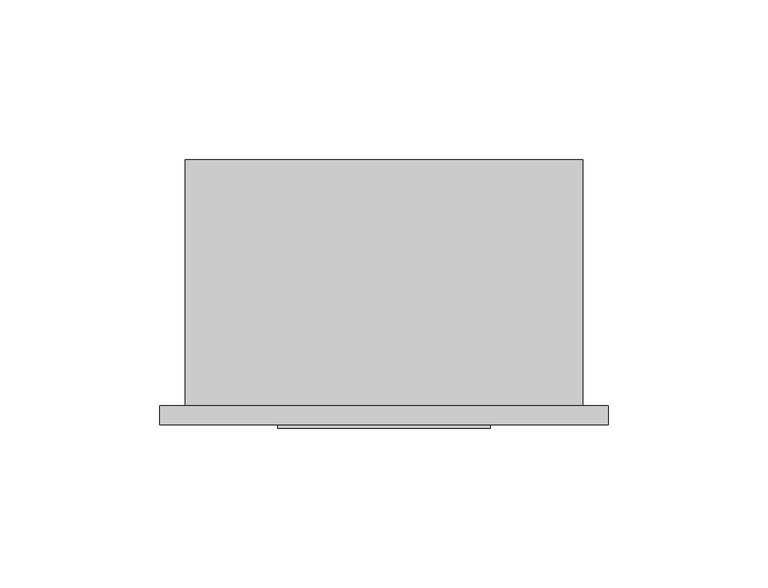
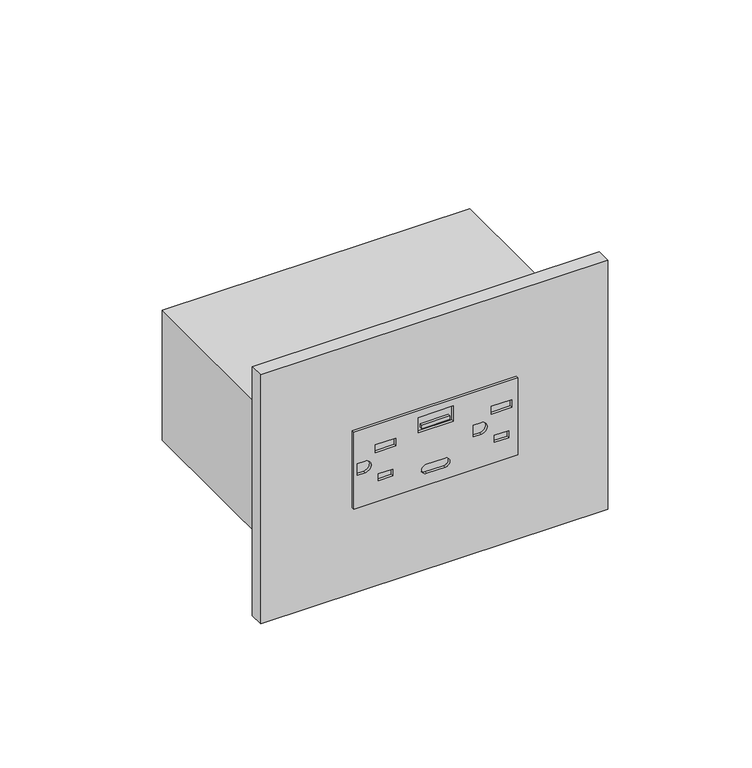
"""IFC4 building model written with IfcOpenShell, lengths in millimetres: proxy geometry."""

from ifc_helpers import new_model, si_unit, point, frame, frame_2d, origin, place, context, project, spatial, polyline, circle_curve, trimmed, segment, composite_curve, outline, extrude, source, transform, mapped, element, save


def electrical_fixtures_2c1a8ef8(model_context):
    return source(origin(), model_context, "Body", "SweptSolid", [
        extrude(outline(polyline([(821.7027, 95.5294), (854.6973, 95.5294), (854.6973, 28.9814), (821.7027, 28.9814), (821.7027, 95.5294)]), holes=[polyline([(842.8355, 93.0823163), (842.8355, 84.7665661), (846.1629, 84.7665661), (846.1629, 93.0823163), (842.8355, 93.0823163)]), polyline([(830.38696, 91.8360175), (830.38696, 86.0128649), (833.3613, 86.0128649), (833.3613, 91.8360175), (830.38696, 91.8360175)]), composite_curve([segment(polyline([(835.7362, 77.4954), (840.6638, 77.4954), (840.6638, 80.5942)]), True, "CONTINUOUS"), segment(trimmed(circle_curve(frame_2d((838.2, 80.5942)), 2.4638), [point((840.6638, 80.5942))], [point((835.7362, 80.5942))], True, "CARTESIAN"), True, "CONTINUOUS"), segment(polyline([(835.7362, 80.5942), (835.7362, 77.4954)]), True, "CONTINUOUS")], self_intersect=False), polyline([(842.8355, 46.0923163), (842.8355, 37.7765661), (846.1629, 37.7765661), (846.1629, 46.0923163), (842.8355, 46.0923163)]), polyline([(830.38696, 44.8460175), (830.38696, 39.0228649), (833.3613, 39.0228649), (833.3613, 44.8460175), (830.38696, 44.8460175)]), composite_curve([segment(polyline([(835.7362, 30.5054), (840.6638, 30.5054), (840.6638, 33.6042)]), True, "CONTINUOUS"), segment(trimmed(circle_curve(frame_2d((838.2, 33.6042)), 2.4638), [point((840.6638, 33.6042))], [point((835.7362, 33.6042))], True, "CARTESIAN"), True, "CONTINUOUS"), segment(polyline([(835.7362, 33.6042), (835.7362, 30.5054)]), True, "CONTINUOUS")], self_intersect=False), polyline([(845.2710934, 69.3039), (845.2710934, 55.2069), (851.7734934, 55.2069), (851.7734934, 69.3039), (845.2710934, 69.3039)]), composite_curve([segment(trimmed(circle_curve(frame_2d((828.6623, 58.4708)), 1.905), [point((826.7573, 58.4708))], [point((830.5673, 58.4708))], True, "CARTESIAN"), True, "CONTINUOUS"), segment(polyline([(830.5673, 58.4708), (830.5673, 66.04)]), True, "CONTINUOUS"), segment(trimmed(circle_curve(frame_2d((828.6623, 66.04)), 1.905), [point((830.5673, 66.04))], [point((826.7573, 66.04))], True, "CARTESIAN"), True, "CONTINUOUS"), segment(polyline([(826.7573, 66.04), (826.7573, 58.4708)]), True, "CONTINUOUS")], self_intersect=False)]), frame((0.0, -6.9294746, 0.0), z_axis=(0.0, 1.0, 0.0), x_axis=(0.0, 0.0, 1.0)), (0.0, 0.0, 1.0), 1.0366746),
        extrude(outline(polyline([(67.9731897, -6.9294746), (56.5295546, -6.9294746), (56.5295546, -5.8928), (67.9731897, -5.8928), (67.9731897, -6.9294746)])), frame((0.0, 0.0, 846.482265), z_axis=(0.0, 0.0, 1.0), x_axis=(1.0, 0.0, 0.0)), (0.0, 0.0, 1.0), 1.5209293),
        extrude(outline(polyline([(-7.9502, 0.0), (132.4102, 0.0), (132.4102, -5.8928), (-7.9502, -5.8928), (-7.9502, 0.0)])), frame((0.0, 0.0, 784.9108), z_axis=(0.0, 0.0, 1.0), x_axis=(1.0, 0.0, 0.0)), (0.0, 0.0, 1.0), 106.5784),
        extrude(outline(polyline([(124.46, 0.0), (0.0, 0.0), (0.0, 77.054), (124.46, 77.054), (124.46, 0.0)])), frame((0.0, 0.0, 810.4124), z_axis=(0.0, 0.0, 1.0), x_axis=(1.0, 0.0, 0.0)), (0.0, 0.0, 1.0), 55.5752),
    ])


if __name__ == "__main__":
    model = new_model("IFC4")
    model_context = context("Model", 3, world=origin())
    ifc_project = project(units=[si_unit("LENGTHUNIT", "METRE", prefix="MILLI")], contexts=[model_context])
    site = spatial("IfcSite", under=ifc_project)
    building = spatial("IfcBuilding", under=site)
    placement = place(None, origin())
    electrical_fixtures_shape = electrical_fixtures_2c1a8ef8(model_context)
    element("IfcBuildingElementProxy", 1, Name="Electrical Fixtures", at=placement, inside=building, context=model_context, shape_type="MappedRepresentation", body=[
        mapped(electrical_fixtures_shape, transform((0.0, 0.0, 0.0), x_axis=(1.0, 0.0, 0.0), y_axis=(0.0, 1.0, 0.0), z_axis=(0.0, 0.0, 1.0))),
    ])
    save(model, "model.ifc")
